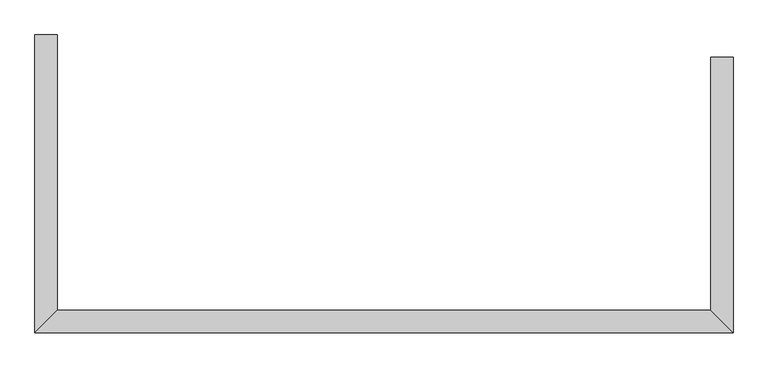
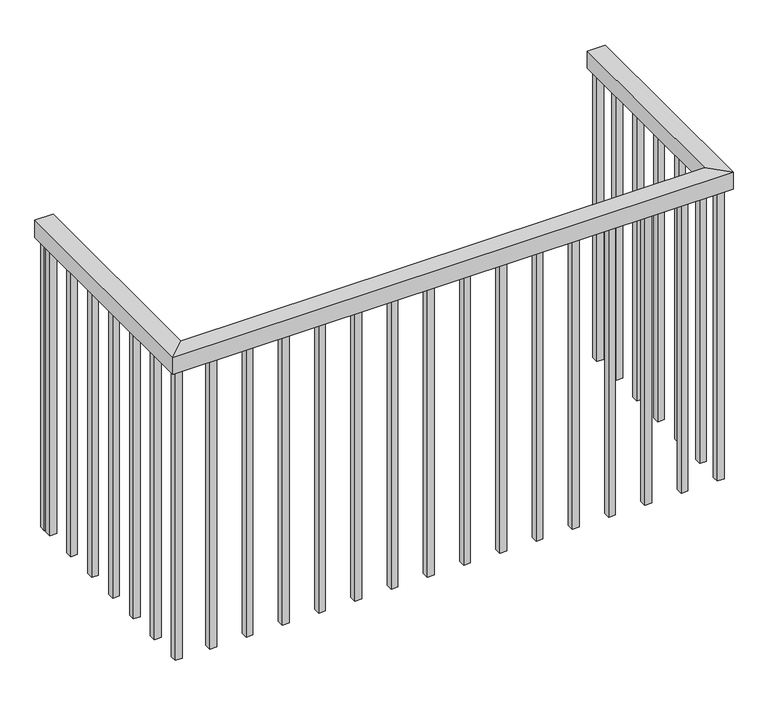
"""IFC4 building model written with IfcOpenShell, lengths in millimetres: railing geometry."""

from ifc_helpers import new_model, si_unit, frame, origin, place, context, project, spatial, polyline, outline, extrude, faceted_brep, source, transform, mapped, element, save


def railing_a8002490(model_context):
    return source(origin(), model_context, "Body", "SolidModel", [
        faceted_brep([(-4369.3854491, -7072.8937808, 3954.4), (-4318.5854491, -7072.8937808, 3954.4), (-4318.5854491, -7072.8937808, 3903.6), (-4369.3854491, -7072.8937808, 3903.6), (-4369.3854491, -7642.0937808, 3954.4), (-4318.5854491, -7692.8937808, 3954.4), (-4318.5854491, -7692.8937808, 3903.6), (-4369.3854491, -7642.0937808, 3903.6), (-5837.7854491, -7642.0937808, 3954.4), (-5888.5854491, -7692.8937808, 3954.4), (-5888.5854491, -7692.8937808, 3903.6), (-5837.7854491, -7642.0937808, 3903.6), (-5837.7854491, -7022.8937808, 3954.4), (-5837.7854491, -7022.8937808, 3903.6), (-5888.5854491, -7022.8937808, 3903.6), (-5888.5854491, -7022.8937808, 3954.4)], [[[0, 1, 2, 3]], [[1, 0, 4, 5]], [[2, 1, 5, 6]], [[3, 2, 6, 7]], [[0, 3, 7, 4]], [[5, 4, 8, 9]], [[6, 5, 9, 10]], [[7, 6, 10, 11]], [[4, 7, 11, 8]], [[12, 13, 14, 15]], [[9, 8, 12, 15]], [[10, 9, 15, 14]], [[11, 10, 14, 13]], [[8, 11, 13, 12]]]),
        extrude(outline(polyline([(-5853.6604491, -7067.4187808), (-5872.7104491, -7067.4187808), (-5872.7104491, -7048.3687808), (-5853.6604491, -7048.3687808), (-5853.6604491, -7067.4187808)])), frame((0.0, 0.0, 3040.0), z_axis=(0.0, 0.0, 1.0), x_axis=(1.0, 0.0, 0.0)), (0.0, 0.0, 1.0), 863.6),
        extrude(outline(polyline([(-5853.6604491, -7169.0187808), (-5872.7104491, -7169.0187808), (-5872.7104491, -7149.9687808), (-5853.6604491, -7149.9687808), (-5853.6604491, -7169.0187808)])), frame((0.0, 0.0, 3040.0), z_axis=(0.0, 0.0, 1.0), x_axis=(1.0, 0.0, 0.0)), (0.0, 0.0, 1.0), 863.6),
        extrude(outline(polyline([(-5853.6604491, -7270.6187808), (-5872.7104491, -7270.6187808), (-5872.7104491, -7251.5687808), (-5853.6604491, -7251.5687808), (-5853.6604491, -7270.6187808)])), frame((0.0, 0.0, 3040.0), z_axis=(0.0, 0.0, 1.0), x_axis=(1.0, 0.0, 0.0)), (0.0, 0.0, 1.0), 863.6),
        extrude(outline(polyline([(-5853.6604491, -7372.2187808), (-5872.7104491, -7372.2187808), (-5872.7104491, -7353.1687808), (-5853.6604491, -7353.1687808), (-5853.6604491, -7372.2187808)])), frame((0.0, 0.0, 3040.0), z_axis=(0.0, 0.0, 1.0), x_axis=(1.0, 0.0, 0.0)), (0.0, 0.0, 1.0), 863.6),
        extrude(outline(polyline([(-5853.6604491, -7473.8187808), (-5872.7104491, -7473.8187808), (-5872.7104491, -7454.7687808), (-5853.6604491, -7454.7687808), (-5853.6604491, -7473.8187808)])), frame((0.0, 0.0, 3040.0), z_axis=(0.0, 0.0, 1.0), x_axis=(1.0, 0.0, 0.0)), (0.0, 0.0, 1.0), 863.6),
        extrude(outline(polyline([(-5853.6604491, -7575.4187808), (-5872.7104491, -7575.4187808), (-5872.7104491, -7556.3687808), (-5853.6604491, -7556.3687808), (-5853.6604491, -7575.4187808)])), frame((0.0, 0.0, 3040.0), z_axis=(0.0, 0.0, 1.0), x_axis=(1.0, 0.0, 0.0)), (0.0, 0.0, 1.0), 863.6),
        extrude(outline(polyline([(-5756.8604491, -7657.9687808), (-5756.8604491, -7677.0187808), (-5775.9104491, -7677.0187808), (-5775.9104491, -7657.9687808), (-5756.8604491, -7657.9687808)])), frame((0.0, 0.0, 3040.0), z_axis=(0.0, 0.0, 1.0), x_axis=(1.0, 0.0, 0.0)), (0.0, 0.0, 1.0), 863.6),
        extrude(outline(polyline([(-5655.2604491, -7657.9687808), (-5655.2604491, -7677.0187808), (-5674.3104491, -7677.0187808), (-5674.3104491, -7657.9687808), (-5655.2604491, -7657.9687808)])), frame((0.0, 0.0, 3040.0), z_axis=(0.0, 0.0, 1.0), x_axis=(1.0, 0.0, 0.0)), (0.0, 0.0, 1.0), 863.6),
        extrude(outline(polyline([(-5553.6604491, -7657.9687808), (-5553.6604491, -7677.0187808), (-5572.7104491, -7677.0187808), (-5572.7104491, -7657.9687808), (-5553.6604491, -7657.9687808)])), frame((0.0, 0.0, 3040.0), z_axis=(0.0, 0.0, 1.0), x_axis=(1.0, 0.0, 0.0)), (0.0, 0.0, 1.0), 863.6),
        extrude(outline(polyline([(-5452.0604491, -7657.9687808), (-5452.0604491, -7677.0187808), (-5471.1104491, -7677.0187808), (-5471.1104491, -7657.9687808), (-5452.0604491, -7657.9687808)])), frame((0.0, 0.0, 3040.0), z_axis=(0.0, 0.0, 1.0), x_axis=(1.0, 0.0, 0.0)), (0.0, 0.0, 1.0), 863.6),
        extrude(outline(polyline([(-5350.4604491, -7657.9687808), (-5350.4604491, -7677.0187808), (-5369.5104491, -7677.0187808), (-5369.5104491, -7657.9687808), (-5350.4604491, -7657.9687808)])), frame((0.0, 0.0, 3040.0), z_axis=(0.0, 0.0, 1.0), x_axis=(1.0, 0.0, 0.0)), (0.0, 0.0, 1.0), 863.6),
        extrude(outline(polyline([(-5248.8604491, -7657.9687808), (-5248.8604491, -7677.0187808), (-5267.9104491, -7677.0187808), (-5267.9104491, -7657.9687808), (-5248.8604491, -7657.9687808)])), frame((0.0, 0.0, 3040.0), z_axis=(0.0, 0.0, 1.0), x_axis=(1.0, 0.0, 0.0)), (0.0, 0.0, 1.0), 863.6),
        extrude(outline(polyline([(-5147.2604491, -7657.9687808), (-5147.2604491, -7677.0187808), (-5166.3104491, -7677.0187808), (-5166.3104491, -7657.9687808), (-5147.2604491, -7657.9687808)])), frame((0.0, 0.0, 3040.0), z_axis=(0.0, 0.0, 1.0), x_axis=(1.0, 0.0, 0.0)), (0.0, 0.0, 1.0), 863.6),
        extrude(outline(polyline([(-5045.6604491, -7657.9687808), (-5045.6604491, -7677.0187808), (-5064.7104491, -7677.0187808), (-5064.7104491, -7657.9687808), (-5045.6604491, -7657.9687808)])), frame((0.0, 0.0, 3040.0), z_axis=(0.0, 0.0, 1.0), x_axis=(1.0, 0.0, 0.0)), (0.0, 0.0, 1.0), 863.6),
        extrude(outline(polyline([(-4944.0604491, -7657.9687808), (-4944.0604491, -7677.0187808), (-4963.1104491, -7677.0187808), (-4963.1104491, -7657.9687808), (-4944.0604491, -7657.9687808)])), frame((0.0, 0.0, 3040.0), z_axis=(0.0, 0.0, 1.0), x_axis=(1.0, 0.0, 0.0)), (0.0, 0.0, 1.0), 863.6),
        extrude(outline(polyline([(-4842.4604491, -7657.9687808), (-4842.4604491, -7677.0187808), (-4861.5104491, -7677.0187808), (-4861.5104491, -7657.9687808), (-4842.4604491, -7657.9687808)])), frame((0.0, 0.0, 3040.0), z_axis=(0.0, 0.0, 1.0), x_axis=(1.0, 0.0, 0.0)), (0.0, 0.0, 1.0), 863.6),
        extrude(outline(polyline([(-4740.8604491, -7657.9687808), (-4740.8604491, -7677.0187808), (-4759.9104491, -7677.0187808), (-4759.9104491, -7657.9687808), (-4740.8604491, -7657.9687808)])), frame((0.0, 0.0, 3040.0), z_axis=(0.0, 0.0, 1.0), x_axis=(1.0, 0.0, 0.0)), (0.0, 0.0, 1.0), 863.6),
        extrude(outline(polyline([(-4639.2604491, -7657.9687808), (-4639.2604491, -7677.0187808), (-4658.3104491, -7677.0187808), (-4658.3104491, -7657.9687808), (-4639.2604491, -7657.9687808)])), frame((0.0, 0.0, 3040.0), z_axis=(0.0, 0.0, 1.0), x_axis=(1.0, 0.0, 0.0)), (0.0, 0.0, 1.0), 863.6),
        extrude(outline(polyline([(-4537.6604491, -7657.9687808), (-4537.6604491, -7677.0187808), (-4556.7104491, -7677.0187808), (-4556.7104491, -7657.9687808), (-4537.6604491, -7657.9687808)])), frame((0.0, 0.0, 3040.0), z_axis=(0.0, 0.0, 1.0), x_axis=(1.0, 0.0, 0.0)), (0.0, 0.0, 1.0), 863.6),
        extrude(outline(polyline([(-4436.0604491, -7657.9687808), (-4436.0604491, -7677.0187808), (-4455.1104491, -7677.0187808), (-4455.1104491, -7657.9687808), (-4436.0604491, -7657.9687808)])), frame((0.0, 0.0, 3040.0), z_axis=(0.0, 0.0, 1.0), x_axis=(1.0, 0.0, 0.0)), (0.0, 0.0, 1.0), 863.6),
        extrude(outline(polyline([(-4353.5104491, -7571.3687808), (-4334.4604491, -7571.3687808), (-4334.4604491, -7590.4187808), (-4353.5104491, -7590.4187808), (-4353.5104491, -7571.3687808)])), frame((0.0, 0.0, 3040.0), z_axis=(0.0, 0.0, 1.0), x_axis=(1.0, 0.0, 0.0)), (0.0, 0.0, 1.0), 863.6),
        extrude(outline(polyline([(-4353.5104491, -7469.7687808), (-4334.4604491, -7469.7687808), (-4334.4604491, -7488.8187808), (-4353.5104491, -7488.8187808), (-4353.5104491, -7469.7687808)])), frame((0.0, 0.0, 3040.0), z_axis=(0.0, 0.0, 1.0), x_axis=(1.0, 0.0, 0.0)), (0.0, 0.0, 1.0), 863.6),
        extrude(outline(polyline([(-4353.5104491, -7368.1687808), (-4334.4604491, -7368.1687808), (-4334.4604491, -7387.2187808), (-4353.5104491, -7387.2187808), (-4353.5104491, -7368.1687808)])), frame((0.0, 0.0, 3040.0), z_axis=(0.0, 0.0, 1.0), x_axis=(1.0, 0.0, 0.0)), (0.0, 0.0, 1.0), 863.6),
        extrude(outline(polyline([(-4353.5104491, -7266.5687808), (-4334.4604491, -7266.5687808), (-4334.4604491, -7285.6187808), (-4353.5104491, -7285.6187808), (-4353.5104491, -7266.5687808)])), frame((0.0, 0.0, 3040.0), z_axis=(0.0, 0.0, 1.0), x_axis=(1.0, 0.0, 0.0)), (0.0, 0.0, 1.0), 863.6),
        extrude(outline(polyline([(-4353.5104491, -7164.9687808), (-4334.4604491, -7164.9687808), (-4334.4604491, -7184.0187808), (-4353.5104491, -7184.0187808), (-4353.5104491, -7164.9687808)])), frame((0.0, 0.0, 3040.0), z_axis=(0.0, 0.0, 1.0), x_axis=(1.0, 0.0, 0.0)), (0.0, 0.0, 1.0), 863.6),
        extrude(outline(polyline([(-5853.6604491, -7657.9687808), (-5853.6604491, -7677.0187808), (-5872.7104491, -7677.0187808), (-5872.7104491, -7657.9687808), (-5853.6604491, -7657.9687808)])), frame((0.0, 0.0, 3040.0), z_axis=(0.0, 0.0, 1.0), x_axis=(1.0, 0.0, 0.0)), (0.0, 0.0, 1.0), 863.6),
        extrude(outline(polyline([(-4353.5104491, -7657.9687808), (-4334.4604491, -7657.9687808), (-4334.4604491, -7677.0187808), (-4353.5104491, -7677.0187808), (-4353.5104491, -7657.9687808)])), frame((0.0, 0.0, 3040.0), z_axis=(0.0, 0.0, 1.0), x_axis=(1.0, 0.0, 0.0)), (0.0, 0.0, 1.0), 863.6),
        extrude(outline(polyline([(-5853.6604491, -7041.9187808), (-5872.7104491, -7041.9187808), (-5872.7104491, -7022.8687808), (-5853.6604491, -7022.8687808), (-5853.6604491, -7041.9187808)])), frame((0.0, 0.0, 3040.0), z_axis=(0.0, 0.0, 1.0), x_axis=(1.0, 0.0, 0.0)), (0.0, 0.0, 1.0), 863.6),
        extrude(outline(polyline([(-4353.5104491, -7072.8687808), (-4334.4604491, -7072.8687808), (-4334.4604491, -7091.9187808), (-4353.5104491, -7091.9187808), (-4353.5104491, -7072.8687808)])), frame((0.0, 0.0, 3040.0), z_axis=(0.0, 0.0, 1.0), x_axis=(1.0, 0.0, 0.0)), (0.0, 0.0, 1.0), 863.6),
    ])


if __name__ == "__main__":
    model = new_model("IFC4")
    model_context = context("Model", 3, world=origin())
    ifc_project = project(units=[si_unit("LENGTHUNIT", "METRE", prefix="MILLI")], contexts=[model_context])
    site = spatial("IfcSite", under=ifc_project)
    building = spatial("IfcBuilding", under=site)
    placement = place(None, origin())
    railing_shape = railing_a8002490(model_context)
    element("IfcRailing", 1, at=placement, inside=building, context=model_context, shape_type="MappedRepresentation", body=[
        mapped(railing_shape, transform((0.0, 0.0, 0.0), x_axis=(1.0, 0.0, 0.0), y_axis=(0.0, 1.0, 0.0), z_axis=(0.0, 0.0, 1.0))),
    ])
    save(model, "model.ifc")
